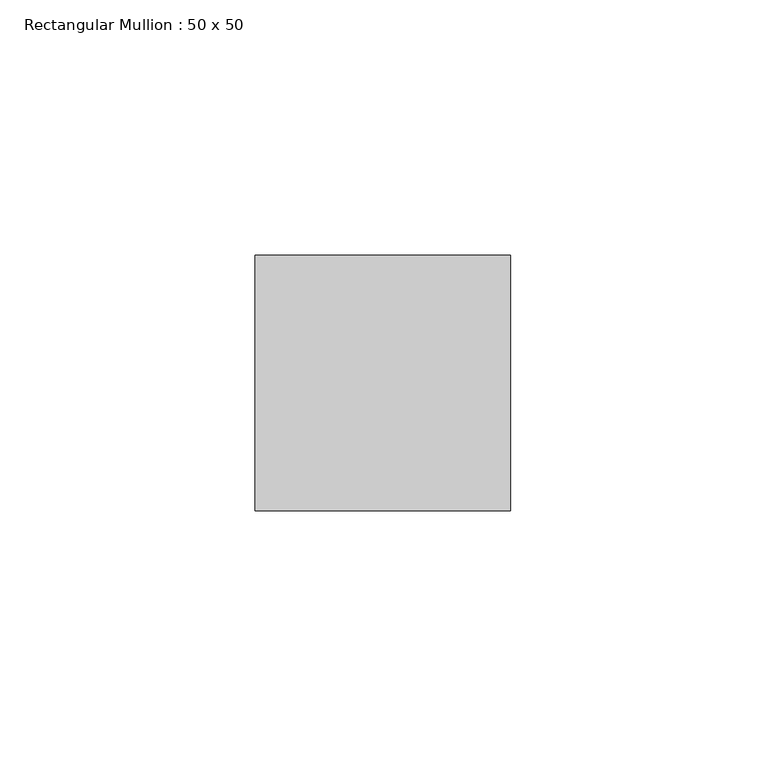
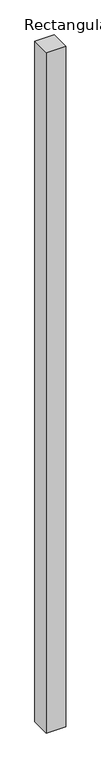
"""IFC4 building model written with IfcOpenShell, lengths in millimetres: member geometry, Rectangular Mullion : 50 x 50."""

from ifc_helpers import new_model, si_unit, frame, origin, place, context, project, spatial, polyline, outline, extrude, source, transform, mapped, element, save


def rectangular_mullion_50_x_50_6a3d456c(model_context):
    return source(origin(), model_context, "Body", "SweptSolid", [
        extrude(outline(polyline([(25.0, 25.0), (25.0, -25.0), (-25.0, -25.0), (-25.0, 25.0), (25.0, 25.0)])), frame((0.0, 0.0, -1836.6015426), z_axis=(0.0, 0.0, 1.0), x_axis=(1.0, 0.0, 0.0)), (0.0, 0.0, 1.0), 1836.6015426),
    ])


if __name__ == "__main__":
    model = new_model("IFC4")
    model_context = context("Model", 3, world=origin())
    ifc_project = project(units=[si_unit("LENGTHUNIT", "METRE", prefix="MILLI")], contexts=[model_context])
    site = spatial("IfcSite", under=ifc_project)
    building = spatial("IfcBuilding", under=site)
    placement = place(None, origin())
    rectangular_mullion_50_x_50_shape = rectangular_mullion_50_x_50_6a3d456c(model_context)
    element("IfcMember", 1, ObjectType="Rectangular Mullion : 50 x 50", at=placement, inside=building, context=model_context, shape_type="MappedRepresentation", body=[
        mapped(rectangular_mullion_50_x_50_shape, transform((0.0, 0.0, 0.0), x_axis=(1.0, 0.0, 0.0), y_axis=(0.0, 1.0, 0.0), z_axis=(0.0, 0.0, 1.0))),
    ])
    save(model, "model.ifc")
